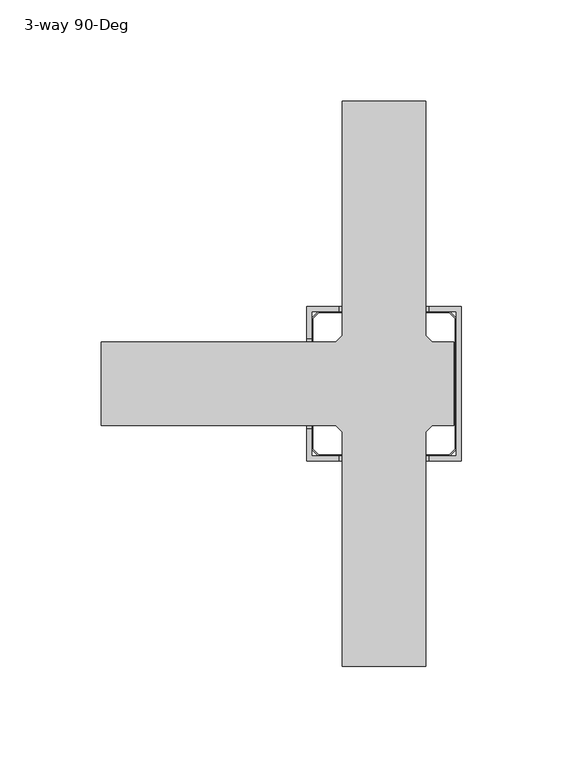
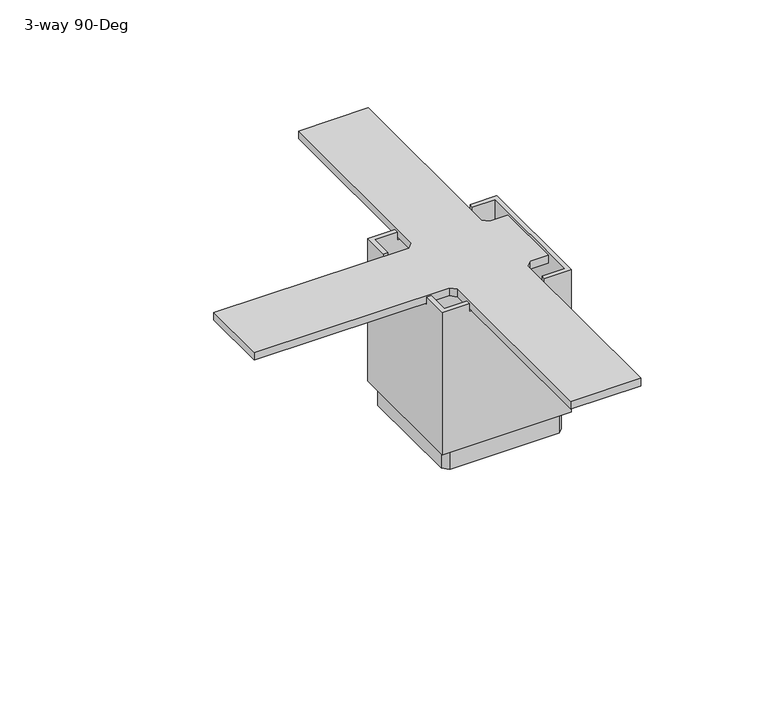
"""IFC4 building model written with IfcOpenShell, lengths in millimetres: furniture geometry, 3-way 90-Deg."""

from ifc_helpers import new_model, si_unit, frame, origin, origin_with_axes, place, context, project, spatial, polyline, outline, extrude, faceted_brep, source, transform, mapped, element, save


def furniture_3_way_90_deg_542e2518(model_context):
    return source(origin(), model_context, "Body", "SolidModel", [
        extrude(outline(polyline([(-79.80045, 20.6375), (-76.62545, 23.8125), (-76.62545, 139.2555), (-35.35045, 139.2555), (-35.35045, 23.8125), (-32.17545, 20.6375), (-21.50745, 20.6375), (-21.50745, -20.6375), (-32.17545, -20.6375), (-35.35045, -23.8125), (-35.35045, -139.2555), (-76.62545, -139.2555), (-76.62545, -23.8125), (-79.80045, -20.6375), (-195.24345, -20.6375), (-195.24345, 20.6375), (-79.80045, 20.6375)])), frame((0.0, 0.0, 96.5962), z_axis=(0.0, 0.0, 1.0), x_axis=(1.0, 0.0, 0.0)), (0.0, 0.0, 1.0), 4.7498),
        faceted_brep([(-17.88795, -38.1, 101.6), (-17.88795, 38.1, 101.6), (-33.76295, 38.1, 101.6), (-33.76295, 35.56, 101.6), (-20.42795, 35.56, 101.6), (-20.42795, -35.56, 101.6), (-33.76295, -35.56, 101.6), (-33.76295, -38.1, 101.6), (-94.08795, -38.1, 101.6), (-78.21295, -38.1, 101.6), (-78.21295, -35.56, 101.6), (-91.54795, -35.56, 101.6), (-91.54795, -22.225, 101.6), (-94.08795, -22.225, 101.6), (-78.21295, 38.1, 101.6), (-94.08795, 38.1, 101.6), (-94.08795, 22.225, 101.6), (-91.54795, 22.225, 101.6), (-91.54795, 35.56, 101.6), (-78.21295, 35.56, 101.6), (-17.88795, 38.1, 12.7), (-17.88795, -38.1, 12.7), (-94.08795, -38.1, 12.7), (-94.08795, 38.1, 12.7), (-20.42795, 35.56, 12.7), (-91.54795, 35.56, 12.7), (-91.54795, -35.56, 12.7), (-20.42795, -35.56, 12.7), (-78.21295, 38.1, 96.5962), (-33.76295, 38.1, 96.5962), (-94.08795, -22.225, 96.5962), (-94.08795, 22.225, 96.5962), (-33.76295, -38.1, 96.5962), (-78.21295, -38.1, 96.5962), (-78.21295, -35.56, 96.5962), (-33.76295, -35.56, 96.5962), (-91.54795, 22.225, 96.5962), (-91.54795, -22.225, 96.5962), (-33.76295, 35.56, 96.5962), (-78.21295, 35.56, 96.5962)], [[[0, 1, 2, 3, 4, 5, 6, 7]], [[8, 9, 10, 11, 12, 13]], [[14, 15, 16, 17, 18, 19]], [[20, 21, 22, 23], [24, 25, 26, 27]], [[20, 23, 15, 14, 28, 29, 2, 1]], [[23, 22, 8, 13, 30, 31, 16, 15]], [[22, 21, 0, 7, 32, 33, 9, 8]], [[1, 0, 21, 20]], [[5, 4, 24, 27]], [[27, 26, 11, 10, 34, 35, 6, 5]], [[26, 25, 18, 17, 36, 37, 12, 11]], [[25, 24, 4, 3, 38, 39, 19, 18]], [[34, 33, 32, 35]], [[28, 39, 38, 29]], [[33, 34, 10, 9]], [[39, 28, 14, 19]], [[35, 32, 7, 6]], [[29, 38, 3, 2]], [[36, 31, 30, 37]], [[31, 36, 17, 16]], [[37, 30, 13, 12]]]),
        extrude(outline(polyline([(-23.60295, 35.56), (-20.42795, 32.385), (-20.42795, -32.385), (-23.60295, -35.56), (-88.37295, -35.56), (-91.54795, -32.385), (-91.54795, 32.385), (-88.37295, 35.56), (-23.60295, 35.56)]), holes=[polyline([(-21.2217, 32.056218), (-23.931732, 34.76625), (-88.044168, 34.76625), (-90.7542, 32.056218), (-90.7542, -32.056218), (-88.044168, -34.76625), (-23.931732, -34.76625), (-21.2217, -32.056218), (-21.2217, 32.056218)])]), origin_with_axes(), (0.0, 0.0, 1.0), 12.7),
    ])


if __name__ == "__main__":
    model = new_model("IFC4")
    model_context = context("Model", 3, world=origin())
    ifc_project = project(units=[si_unit("LENGTHUNIT", "METRE", prefix="MILLI")], contexts=[model_context])
    site = spatial("IfcSite", under=ifc_project)
    building = spatial("IfcBuilding", under=site)
    placement = place(None, origin())
    furniture_3_way_90_deg_shape = furniture_3_way_90_deg_542e2518(model_context)
    element("IfcFurniture", 1, ObjectType="3-way 90-Deg", at=placement, inside=building, context=model_context, shape_type="MappedRepresentation", body=[
        mapped(furniture_3_way_90_deg_shape, transform((0.0, 0.0, 0.0), x_axis=(1.0, 0.0, 0.0), y_axis=(0.0, 1.0, 0.0), z_axis=(0.0, 0.0, 1.0))),
    ])
    save(model, "model.ifc")
